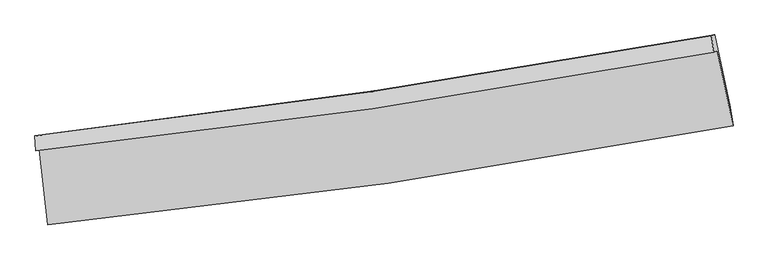
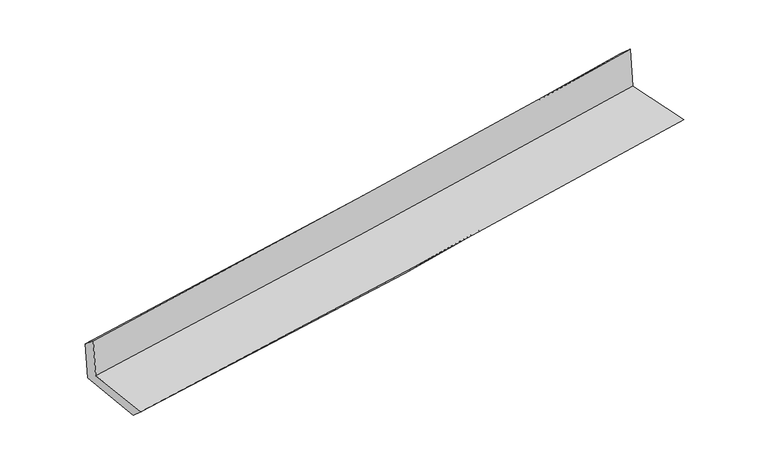
"""IFC4 building model written with IfcOpenShell, lengths in millimetres: proxy geometry."""

import ifcopenshell
import ifcopenshell.guid

model = None  # the IFC model being written
_history = None  # IfcOwnerHistory: only IFC2X3 demands one
_inside = {}  # id of a spatial element -> (the spatial element, [elements in it])
_under = {}  # id of a project, library or spatial element -> (it, [spatial elements below it])
_declared = {}  # id of a project -> (the project, [libraries it declares])
_typed = {}  # id of a type object -> (the type object, [elements of that type])
_made_of = {}  # id of a material, layer set ... -> (it, [elements and type objects made of it])


def new_model(schema):
    """Start an empty IFC model of exactly this schema.

    Asked for "IFC4X3", IfcOpenShell would pick the latest addendum, in which some entities
    have other attributes; the version numbers below select the first issue.
    IFC2X3 requires an IfcOwnerHistory on every rooted entity: one is made here for all.
    """
    global model, _history
    if schema == "IFC4X3":
        model = ifcopenshell.file(schema_version=(4, 3, 0, 0))
    else:
        model = ifcopenshell.file(schema=schema)
    _inside.clear()
    _under.clear()
    _declared.clear()
    _typed.clear()
    _made_of.clear()
    _history = None
    if model.schema == "IFC2X3":
        org = make("IfcOrganization", Name="unknown")
        user = make(
            "IfcPersonAndOrganization",
            ThePerson=make("IfcPerson", FamilyName="unknown"),
            TheOrganization=org,
        )
        app = make(
            "IfcApplication",
            ApplicationDeveloper=org,
            Version="unknown",
            ApplicationFullName="unknown",
            ApplicationIdentifier="unknown",
        )
        _history = make(
            "IfcOwnerHistory",
            OwningUser=user,
            OwningApplication=app,
            ChangeAction="ADDED",
            CreationDate=0,
        )
    return model


def make(cls, **values):
    """One entity of the class cls with the attributes given. An attribute that is None is left unset."""
    return model.create_entity(
        cls, **{name: value for name, value in values.items() if value is not None}
    )


def rooted(cls, **values):
    """An entity with a GlobalId (a new one), such as an element, a storey or a relation."""
    return make(cls, GlobalId=ifcopenshell.guid.new(), OwnerHistory=_history, **values)


def si_unit(unit_type, name, prefix=None):
    """IfcSIUnit, for example si_unit("LENGTHUNIT", "METRE", prefix="MILLI")."""
    return make("IfcSIUnit", UnitType=unit_type, Prefix=prefix, Name=name)


def assignment(units):
    """IfcUnitAssignment: the units of a project."""
    return None if units is None else make("IfcUnitAssignment", Units=units)


def point(xyz):
    """IfcCartesianPoint."""
    return None if xyz is None else make("IfcCartesianPoint", Coordinates=xyz)


def direction(xyz):
    """IfcDirection."""
    return None if xyz is None else make("IfcDirection", DirectionRatios=xyz)


def frame(location, z_axis=None, x_axis=None):
    """IfcAxis2Placement3D, a coordinate frame: its origin and axes. An axis left out is left unset."""
    return make(
        "IfcAxis2Placement3D",
        Location=point(location),
        Axis=direction(z_axis),
        RefDirection=direction(x_axis),
    )


def origin():
    """The frame at (0, 0, 0) with its axes left unset."""
    return frame((0.0, 0.0, 0.0))


def place(relative_to, where):
    """IfcLocalPlacement: puts the frame where relative to a parent placement (None: the world)."""
    return make(
        "IfcLocalPlacement", PlacementRelTo=relative_to, RelativePlacement=where
    )


def context(
    kind, dimensions, precision=None, world=None, true_north=None, identifier=None
):
    """IfcGeometricRepresentationContext, for example the 3D "Model" context."""
    return make(
        "IfcGeometricRepresentationContext",
        ContextIdentifier=identifier,
        ContextType=kind,
        CoordinateSpaceDimension=dimensions,
        Precision=precision,
        WorldCoordinateSystem=world,
        TrueNorth=true_north,
    )


def project(units=None, contexts=None):
    """IfcProject with its units and contexts."""
    return rooted(
        "IfcProject",
        Name="project",
        RepresentationContexts=contexts,
        UnitsInContext=assignment(units),
    )


def spatial(cls, under=None, at=None, **own):
    """A site, building, storey or space (cls), placed at a placement, below another one or the project."""
    s = rooted(cls, ObjectPlacement=at, **own)
    if under is not None:
        _under.setdefault(under.id(), (under, []))[1].append(s)
    return s


def shape(context_of_items, identifier, shape_type, items):
    """IfcShapeRepresentation: the items that make up one representation, for example the "Body"."""
    return make(
        "IfcShapeRepresentation",
        ContextOfItems=context_of_items,
        RepresentationIdentifier=identifier,
        RepresentationType=shape_type,
        Items=items,
    )


def source(mapping_origin, context_of_items, identifier, shape_type, items):
    """IfcRepresentationMap: a shape defined once, which mapped items show again and again."""
    return make(
        "IfcRepresentationMap",
        MappingOrigin=mapping_origin,
        MappedRepresentation=shape(context_of_items, identifier, shape_type, items),
    )


def transform(
    local_origin,
    x_axis=None,
    y_axis=None,
    z_axis=None,
    scale=None,
    scale2=None,
    scale3=None,
    uniform=True,
):
    """IfcCartesianTransformationOperator3D, or its non-uniform kind. x_axis, y_axis, z_axis: its Axis1, 2, 3."""
    if uniform:
        return make(
            "IfcCartesianTransformationOperator3D",
            Axis1=direction(x_axis),
            Axis2=direction(y_axis),
            LocalOrigin=point(local_origin),
            Scale=scale,
            Axis3=direction(z_axis),
        )
    return make(
        "IfcCartesianTransformationOperator3DnonUniform",
        Axis1=direction(x_axis),
        Axis2=direction(y_axis),
        LocalOrigin=point(local_origin),
        Scale=scale,
        Axis3=direction(z_axis),
        Scale2=scale2,
        Scale3=scale3,
    )


def mapped(mapping_source, mapping_target):
    """IfcMappedItem: shows the shape of a source again, moved by a transform."""
    return make(
        "IfcMappedItem", MappingSource=mapping_source, MappingTarget=mapping_target
    )


def made_of(thing, what):
    """Note that an element or type object is made of a material, layer set ...; save() writes the relation."""
    if what is not None:
        _made_of.setdefault(what.id(), (what, []))[1].append(thing)
    return thing


def element(
    cls,
    number,
    at=None,
    inside=None,
    cuts=None,
    type_object=None,
    material=None,
    context=None,
    identifier="Body",
    shape_type=None,
    held_by="IfcProductDefinitionShape",
    body=None,
    shapes=None,
    **own,
):
    """One element of the class cls, such as IfcWall. Its Tag is "e" and its number.

    at: its placement. inside: the storey or other place that contains it. cuts: it is an
    opening in that element (IfcRelVoidsElement). A single representation is given by context,
    identifier, shape_type and body (its items); several are given by shapes. held_by: the class
    of the entity that holds the representations. save() writes the other relations.
    """
    e = rooted(cls, Tag="e%d" % number, ObjectPlacement=at, **own)
    if body is not None:
        shapes = [shape(context, identifier, shape_type, body)]
    if shapes is not None:
        e.Representation = make(held_by, Representations=shapes)
    if inside is not None:
        _inside.setdefault(inside.id(), (inside, []))[1].append(e)
    if cuts is not None:
        rooted(
            "IfcRelVoidsElement", RelatingBuildingElement=cuts, RelatedOpeningElement=e
        )
    if type_object is not None:
        _typed.setdefault(type_object.id(), (type_object, []))[1].append(e)
    return made_of(e, material)


def aggregate(whole, parts):
    """IfcRelAggregates: a whole, such as a stair, and the parts it consists of."""
    return rooted("IfcRelAggregates", RelatingObject=whole, RelatedObjects=parts)


def save(model, path):
    """Write the relations noted so far, then the file.

    IfcRelAggregates (storeys below a building ...), IfcRelContainedInSpatialStructure (elements
    in a storey), IfcRelDefinesByType, IfcRelAssociatesMaterial and IfcRelDeclares: one each for
    every whole, place, type object, material and project.
    """
    for whole, parts in _under.values():
        aggregate(whole, parts)
    for where, things in _inside.values():
        rooted(
            "IfcRelContainedInSpatialStructure",
            RelatedElements=things,
            RelatingStructure=where,
        )
    for kind, things in _typed.values():
        rooted("IfcRelDefinesByType", RelatedObjects=things, RelatingType=kind)
    for what, things in _made_of.values():
        rooted("IfcRelAssociatesMaterial", RelatedObjects=things, RelatingMaterial=what)
    for by, libraries in _declared.values():
        rooted("IfcRelDeclares", RelatingContext=by, RelatedDefinitions=libraries)
    model.write(path)


def plane_surface(at):
    """IfcPlane: the flat surface through the origin of the frame at, square to its z axis."""
    return make("IfcPlane", Position=at)


def spline_curve(degree, points, multiplicities, knots, weights=None):
    """IfcBSplineCurveWithKnots; with weights, IfcRationalBSplineCurveWithKnots."""
    own = dict(
        Degree=degree,
        ControlPointsList=[point(p) for p in points],
        CurveForm="UNSPECIFIED",
        ClosedCurve=False,
        SelfIntersect=False,
        KnotMultiplicities=multiplicities,
        Knots=knots,
        KnotSpec="UNSPECIFIED",
    )
    if weights is None:
        return make("IfcBSplineCurveWithKnots", **own)
    return make("IfcRationalBSplineCurveWithKnots", WeightsData=weights, **own)


def spline_surface(u_degree, v_degree, points, u_multiplicities, v_multiplicities, u_knots, v_knots, weights=None):
    """IfcBSplineSurfaceWithKnots; with weights, IfcRationalBSplineSurfaceWithKnots. points: one row for each step in u."""
    own = dict(
        UDegree=u_degree,
        VDegree=v_degree,
        ControlPointsList=[[point(p) for p in row] for row in points],
        SurfaceForm="UNSPECIFIED",
        UClosed=False,
        VClosed=False,
        SelfIntersect=False,
        UMultiplicities=u_multiplicities,
        VMultiplicities=v_multiplicities,
        UKnots=u_knots,
        VKnots=v_knots,
        KnotSpec="UNSPECIFIED",
    )
    if weights is None:
        return make("IfcBSplineSurfaceWithKnots", **own)
    return make("IfcRationalBSplineSurfaceWithKnots", WeightsData=weights, **own)


def advanced_brep(points, edges, surfaces, faces):
    """IfcAdvancedBrep: a solid bounded by faces that lie on surfaces and meet in shared edges.

    An edge is (start, end): straight between two places in points (the first is 0);
    or (start, end, curve); or (start, end, curve, False) where it runs against its curve.
    A face is (place in surfaces, loops), or (place, loops, False) where it looks against
    its surface's normal. A loop lists edges by number (the first is 1), with a minus sign
    where the edge is run from its end to its start. The first loop is the outer one.
    """
    corners = [point(p) for p in points]
    vertices = [make("IfcVertexPoint", VertexGeometry=c) for c in corners]
    made = []
    for start, end, *more in edges:
        made.append(
            make(
                "IfcEdgeCurve",
                EdgeStart=vertices[start],
                EdgeEnd=vertices[end],
                EdgeGeometry=more[0] if more else make("IfcPolyline", Points=[corners[start], corners[end]]),
                SameSense=more[1] if len(more) > 1 else True,
            )
        )
    hull = []
    for where, loops, *sense in faces:
        bounds = []
        for j, loop in enumerate(loops):
            ring = [make("IfcOrientedEdge", EdgeElement=made[abs(k) - 1], Orientation=k > 0) for k in loop]
            bounds.append(
                make(
                    "IfcFaceOuterBound" if j == 0 else "IfcFaceBound",
                    Bound=make("IfcEdgeLoop", EdgeList=ring),
                    Orientation=True,
                )
            )
        hull.append(make("IfcAdvancedFace", Bounds=bounds, FaceSurface=surfaces[where], SameSense=sense[0] if sense else True))
    return make("IfcAdvancedBrep", Outer=make("IfcClosedShell", CfsFaces=hull))


def generic_models_6bf6a6f3(model_context):
    return source(origin(), model_context, "Body", "AdvancedBrep", [
        advanced_brep(
        [(-2955.290112, -1904.7792804, 1636.3088925), (-2878.4430053, -2557.1981883, 1623.0113092), (3053.3275335, -1699.5100529, 2124.1709514), (2916.5565378, -1049.274349, 2132.7383086), (-2985.550961, -1916.2651904, 2024.9634369), (2884.7537296, -1062.8887123, 2545.0388302), (-2991.3915329, -1788.3349611, 1914.0540916), (2865.954265, -919.7897477, 2412.4701376), (-2961.773116, -1782.6240871, 1541.5522362), (2896.0465036, -914.0019556, 2040.007662), (-2883.5753223, -2435.2576924, 1511.9462214), (3029.4949685, -1542.0811898, 2015.8134857)],
        [
            (0, 1),
            (1, 2, spline_curve(3, [(-2878.4430053, -2557.1981883, 1623.0113092), (-1895.435761737, -2460.187578059, 1730.588891517), (-914.056848699, -2341.053379748, 1825.876441536), (1063.2597538, -2055.9692247, 1993.380674524), (2059.137687299, -1889.207377905, 2065.146338471), (3053.3275335, -1699.5100529, 2124.1709514)], [4, 2, 4], [0.0, 9.732166911119496, 19.64130009758262])),
            (2, 3),
            (3, 0, spline_curve(3, [(2916.5565378, -1049.274349, 2132.7383086), (1933.149800093, -1233.870962892, 2074.704015763), (947.698891087, -1397.920205597, 2003.830370929), (-1009.655686561, -1682.361162407, 1837.899400186), (-1981.486994573, -1803.480230062, 1743.296573145), (-2955.290112, -1904.7792804, 1636.3088925)], [4, 2, 4], [0.0, 9.909133186463123, 19.64130009758262])),
            (4, 0),
            (3, 5),
            (5, 4, spline_curve(3, [(2884.7537296, -1062.8887123, 2545.0388302), (1901.543387679, -1247.60769986, 2484.423118421), (916.320614446, -1411.536996683, 2410.264227725), (-1040.518853214, -1695.259890997, 2236.426349882), (-2012.064310669, -1815.789420541, 2137.226776354), (-2985.550961, -1916.2651904, 2024.9634369)], [4, 2, 4], [0.0, 9.859602916586345, 19.543124114249075])),
            (6, 4),
            (5, 7),
            (7, 6, spline_curve(3, [(2865.954265, -919.7897477, 2412.4701376), (1886.374308744, -1097.009884606, 2325.041741226), (904.049828822, -1258.51048001, 2239.434914475), (-1048.495923761, -1547.469097296, 2073.360714125), (-2018.620043018, -1675.483572975, 1992.828858541), (-2991.3915329, -1788.3349611, 1914.0540916)], [4, 2, 4], [0.0, 9.848144086449599, 19.520411096142656])),
            (8, 6),
            (7, 9),
            (9, 8, spline_curve(3, [(2896.0465036, -914.0019556, 2040.007662), (1916.376817818, -1091.24034536, 1952.571776487), (933.967677568, -1252.756510675, 1866.957898121), (-1018.735835896, -1541.740672478, 1700.870586411), (-1988.933235584, -1669.765217491, 1620.3326563), (-2961.773116, -1782.6240871, 1541.5522362)], [4, 2, 4], [0.0, 9.837600380335331, 19.499511982967555])),
            (10, 8),
            (9, 11),
            (11, 10, spline_curve(3, [(3029.4949685, -1542.0811898, 2015.8134857), (2040.858915613, -1732.187441215, 1927.029051239), (1049.319420969, -1902.162804412, 1840.287823405), (-921.806787538, -2199.175694252, 1672.404396159), (-1901.290723525, -2326.925832288, 1591.189868973), (-2883.5753223, -2435.2576924, 1511.9462214)], [4, 2, 4], [0.0, 9.886865460978294, 19.597162323822992])),
            (1, 10),
            (11, 2),
        ],
        [
            spline_surface(3, 3, [[(-2955.290112, -1904.7792804, 1636.3088925), (-1981.486994502, -1803.480230082, 1743.296573018), (-1009.65568672, -1682.361162367, 1837.89940025), (947.698891248, -1397.920205638, 2003.830370863), (1933.149800019, -1233.87096289, 2074.704015619), (2916.5565378, -1049.274349, 2132.7383086)], [(-2929.674409771, -2122.252249709, 1631.876364733), (-1952.803250256, -2022.382679453, 1739.060679198), (-977.789407407, -1901.925234833, 1833.891747347), (986.219178787, -1617.269878642, 2000.347138719), (1975.145762373, -1452.316434571, 2071.518123226), (2962.146869679, -1266.019583625, 2129.882522841)], [(-2904.058707529, -2339.725218991, 1627.443836967), (-1924.119505996, -2241.285128795, 1734.824785378), (-945.923128084, -2121.489307316, 1829.884094488), (1024.739466334, -1836.619551663, 1996.863906618), (2017.14172479, -1670.761906276, 2068.332230911), (3007.737201621, -1482.764818275, 2127.026737159)], [(-2878.4430053, -2557.1981883, 1623.0113092), (-1895.43576175, -2460.187578166, 1730.588891557), (-914.056848771, -2341.053379781, 1825.876441585), (1063.259753872, -2055.969224667, 1993.380674474), (2059.137687145, -1889.207377957, 2065.146338518), (3053.3275335, -1699.5100529, 2124.1709514)]], [4, 4], [4, 2, 4], [0.0, 2.187989537595696], [0.0, 9.732166911119496, 19.64130009758262]),
            spline_surface(3, 3, [[(-2985.550961, -1916.2651904, 2024.9634369), (-2012.064310523, -1815.789420486, 2137.22677647), (-1040.518853374, -1695.259891068, 2236.426349947), (916.32061461, -1411.536996611, 2410.264227659), (1901.543387674, -1247.607700023, 2484.423118575), (2884.7537296, -1062.8887123, 2545.0388302)], [(-2975.464011337, -1912.436553728, 1895.411922097), (-2001.871871853, -1811.686357012, 2005.91670865), (-1030.231131127, -1690.96031481, 2103.584033401), (926.780040185, -1406.998066263, 2274.786275413), (1912.078858481, -1243.028787651, 2347.850084257), (2895.354665693, -1058.350591206, 2407.605323)], [(-2965.377061663, -1908.607917072, 1765.860407303), (-1991.679433172, -1807.583293556, 1874.606640838), (-1019.943408967, -1686.660738624, 1970.741716796), (937.239465673, -1402.459135986, 2139.308323108), (1922.614329211, -1238.449875262, 2211.277049937), (2905.955601707, -1053.812470094, 2270.1718158)], [(-2955.290112, -1904.7792804, 1636.3088925), (-1981.486994502, -1803.480230082, 1743.296573018), (-1009.65568672, -1682.361162367, 1837.89940025), (947.698891248, -1397.920205638, 2003.830370863), (1933.149800019, -1233.87096289, 2074.704015619), (2916.5565378, -1049.274349, 2132.7383086)]], [4, 4], [4, 2, 4], [0.0, 1.3253635536757997], [0.0, 9.68352119766273, 19.543124114249075]),
            spline_surface(3, 3, [[(-2991.3915329, -1788.3349611, 1914.0540916), (-2018.620043024, -1675.483572976, 1992.828858674), (-1048.495923621, -1547.4690972, 2073.360714051), (904.04982868, -1258.510480108, 2239.43491455), (1886.374308641, -1097.009884724, 2325.041741142), (2865.954265, -919.7897477, 2412.4701376)], [(-2989.444675622, -1830.978370869, 1951.023873362), (-2016.434798879, -1722.252188815, 2040.961497934), (-1045.836900234, -1596.732695179, 2127.715925995), (908.140090629, -1309.519318966, 2296.378018898), (1891.430668322, -1147.209156465, 2378.168866953), (2872.220753204, -967.489402542, 2456.6597018)], [(-2987.497818278, -1873.621780631, 1987.993655138), (-2014.249554668, -1769.020804647, 2089.094137209), (-1043.177876762, -1645.996293089, 2182.071138004), (912.230352661, -1360.528157754, 2353.321123311), (1896.487027992, -1197.408428282, 2431.295992765), (2878.487241396, -1015.189057458, 2500.849266)], [(-2985.550961, -1916.2651904, 2024.9634369), (-2012.064310523, -1815.789420486, 2137.22677647), (-1040.518853374, -1695.259891068, 2236.426349947), (916.32061461, -1411.536996611, 2410.264227659), (1901.543387674, -1247.607700023, 2484.423118575), (2884.7537296, -1062.8887123, 2545.0388302)]], [4, 4], [4, 2, 4], [0.0, 0.7382506980297459], [0.0, 9.672267009693057, 19.520411096142656]),
            spline_surface(3, 3, [[(-2961.773116, -1782.6240871, 1541.5522362), (-1988.933235519, -1669.765217476, 1620.3326563), (-1018.735835906, -1541.740672325, 1700.870586451), (933.967677579, -1252.75651083, 1866.95789808), (1916.376817784, -1091.240345463, 1952.571776485), (2896.0465036, -914.0019556, 2040.007662)], [(-2971.645921609, -1784.527711778, 1665.719521335), (-1998.828837996, -1671.671335987, 1744.498057093), (-1028.655865132, -1543.650147274, 1825.033962323), (923.995061292, -1254.67450058, 1991.116903575), (1906.375981372, -1093.163525232, 2076.728431365), (2886.015757368, -915.931219649, 2164.161820528)], [(-2981.518727291, -1786.431336422, 1789.886806465), (-2008.724440547, -1673.577454465, 1868.663457881), (-1038.575894395, -1545.559622251, 1949.197338179), (914.022444967, -1256.592490358, 2115.275909055), (1896.375145054, -1095.086704954, 2200.885086262), (2875.985011232, -917.860483651, 2288.315979072)], [(-2991.3915329, -1788.3349611, 1914.0540916), (-2018.620043024, -1675.483572976, 1992.828858674), (-1048.495923621, -1547.4690972, 2073.360714051), (904.04982868, -1258.510480108, 2239.43491455), (1886.374308641, -1097.009884724, 2325.041741142), (2865.954265, -919.7897477, 2412.4701376)]], [4, 4], [4, 2, 4], [0.0, 1.226118548898191], [0.0, 9.661911602632223, 19.499511982967555]),
            spline_surface(3, 3, [[(-2883.5753223, -2435.2576924, 1511.9462214), (-1901.290723629, -2326.925832369, 1591.189868867), (-921.806787686, -2199.175694399, 1672.404396016), (1049.319421119, -1902.162804263, 1840.287823551), (2040.858915457, -1732.187441363, 1927.029051199), (3029.4949685, -1542.0811898, 2015.8134857)], [(-2909.641253552, -2217.71315728, 1521.814892981), (-1930.504894278, -2107.872294052, 1600.904131326), (-954.116470413, -1980.030687028, 1681.893126158), (1010.868839951, -1685.694039773, 1849.177848391), (1999.364882911, -1518.538409383, 1935.54329298), (2985.012146879, -1332.721445054, 2023.878211152)], [(-2935.707184748, -2000.16862222, 1531.683564619), (-1959.71906487, -1888.818755793, 1610.618393842), (-986.426153179, -1760.885679696, 1691.381856309), (972.418258746, -1469.22527532, 1858.067873241), (1957.87085033, -1304.889377442, 1944.057534704), (2940.529325221, -1123.361700346, 2031.942936548)], [(-2961.773116, -1782.6240871, 1541.5522362), (-1988.933235519, -1669.765217476, 1620.3326563), (-1018.735835906, -1541.740672325, 1700.870586451), (933.967677579, -1252.75651083, 1866.95789808), (1916.376817784, -1091.240345463, 1952.571776485), (2896.0465036, -914.0019556, 2040.007662)]], [4, 4], [4, 2, 4], [0.0, 2.1735973959806083], [0.0, 9.710296862844698, 19.597162323822992]),
            spline_surface(3, 3, [[(-2878.4430053, -2557.1981883, 1623.0113092), (-1895.43576175, -2460.187578166, 1730.588891557), (-914.056848771, -2341.053379781, 1825.876441585), (1063.259753872, -2055.969224667, 1993.380674474), (2059.137687145, -1889.207377957, 2065.146338518), (3053.3275335, -1699.5100529, 2124.1709514)], [(-2880.153777608, -2516.551356336, 1585.989613292), (-1897.387415685, -2415.766996236, 1684.122550686), (-916.640161766, -2293.760818016, 1774.719093077), (1058.612976265, -2004.700417894, 1942.349724181), (2053.044763259, -1836.867399116, 2019.107242758), (3045.383345177, -1647.033765224, 2088.05179618)], [(-2881.864549992, -2475.904524364, 1548.967917308), (-1899.339069694, -2371.346414299, 1637.656209739), (-919.223474691, -2246.468256164, 1723.561744524), (1053.966198727, -1953.431611036, 1891.318773844), (2046.951839342, -1784.527420203, 1973.068146959), (3037.439156823, -1594.557477476, 2051.93264092)], [(-2883.5753223, -2435.2576924, 1511.9462214), (-1901.290723629, -2326.925832369, 1591.189868867), (-921.806787686, -2199.175694399, 1672.404396016), (1049.319421119, -1902.162804263, 1840.287823551), (2040.858915457, -1732.187441363, 1927.029051199), (3029.4949685, -1542.0811898, 2015.8134857)]], [4, 4], [4, 2, 4], [0.0, 0.6998353606617682], [0.0, 9.769326699537578, 19.716295374846958]),
            plane_surface(frame((2941.0222563, -1197.9243346, 2211.7065626), z_axis=(0.975509033807465, 0.20410897212475235, 0.08198568447115352), x_axis=(-0.08052061282961856, -0.015486935863517064, 0.9966326232504644))),
            plane_surface(frame((-2942.6706749, -2064.0765666, 1708.6393646), z_axis=(-0.9901014815995186, -0.1149815540676681, -0.08048787709103929), x_axis=(-0.11695533339822947, 0.9929309531885891, 0.02023788995198899))),
        ],
        [
            (0, [[1, 2, 3, 4]]),
            (1, [[5, -4, 6, 7]]),
            (2, [[8, -7, 9, 10]]),
            (3, [[11, -10, 12, 13]]),
            (4, [[14, -13, 15, 16]]),
            (5, [[17, -16, 18, -2]]),
            (6, [[-12, -9, -6, -3, -18, -15]]),
            (7, [[-1, -5, -8, -11, -14, -17]]),
        ],
    ),
    ])


if __name__ == "__main__":
    model = new_model("IFC4")
    model_context = context("Model", 3, world=origin())
    ifc_project = project(units=[si_unit("LENGTHUNIT", "METRE", prefix="MILLI")], contexts=[model_context])
    site = spatial("IfcSite", under=ifc_project)
    building = spatial("IfcBuilding", under=site)
    placement = place(None, origin())
    generic_models_shape = generic_models_6bf6a6f3(model_context)
    element("IfcBuildingElementProxy", 1, Name="Generic Models", at=placement, inside=building, context=model_context, shape_type="MappedRepresentation", body=[
        mapped(generic_models_shape, transform((0.0, 0.0, 0.0), x_axis=(1.0, 0.0, 0.0), y_axis=(0.0, 1.0, 0.0), z_axis=(0.0, 0.0, 1.0))),
    ])
    save(model, "model.ifc")
